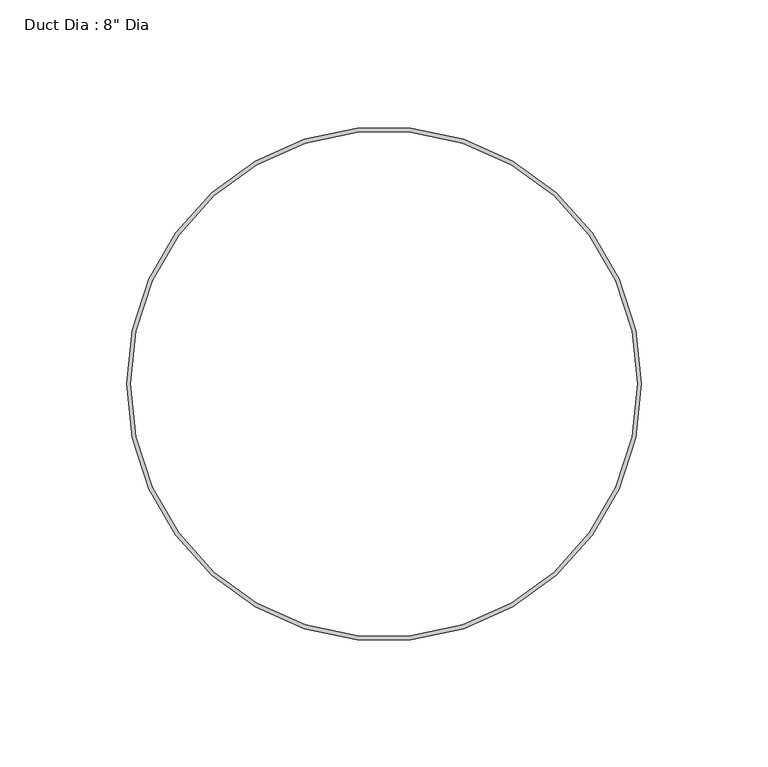
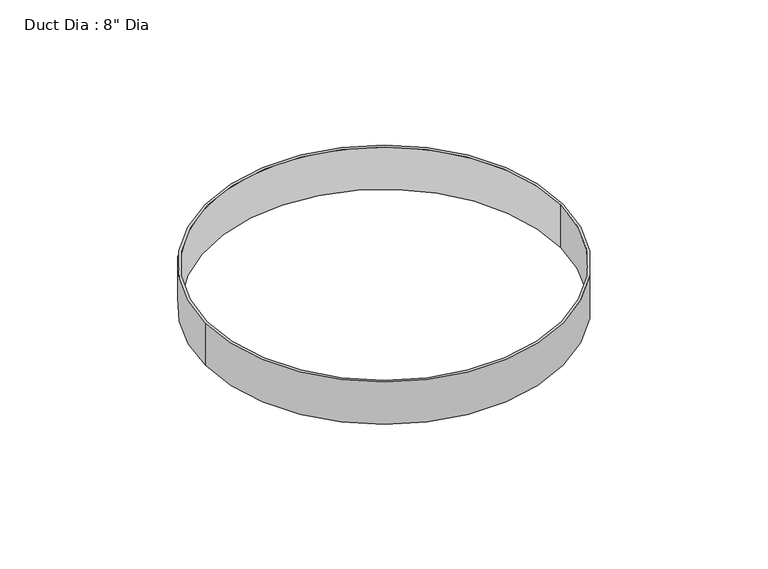
"""IFC4 building model written with IfcOpenShell, lengths in millimetres: proxy geometry."""

from ifc_helpers import new_model, si_unit, point, origin, origin_with_axes, origin_2d, place, context, project, spatial, circle_curve, trimmed, segment, composite_curve, outline, extrude, source, transform, mapped, element, save


def proxy_cedb3807(model_context):
    return source(origin(), model_context, "Body", "SweptSolid", [
        extrude(outline(composite_curve([segment(trimmed(circle_curve(origin_2d(), 101.6), [point((-101.6, 0.0))], [point((101.6, 0.0))], False, "CARTESIAN"), True, "CONTINUOUS"), segment(trimmed(circle_curve(origin_2d(), 101.6), [point((101.6, 0.0))], [point((-101.6, 0.0))], False, "CARTESIAN"), True, "CONTINUOUS")], self_intersect=False), holes=[composite_curve([segment(trimmed(circle_curve(origin_2d(), 100.0125), [point((-100.0125, 0.0))], [point((100.0125, 0.0))], True, "CARTESIAN"), True, "CONTINUOUS"), segment(trimmed(circle_curve(origin_2d(), 100.0125), [point((100.0125, 0.0))], [point((-100.0125, 0.0))], True, "CARTESIAN"), True, "CONTINUOUS")], self_intersect=False)]), origin_with_axes(), (0.0, 0.0, 1.0), 25.4),
    ])


if __name__ == "__main__":
    model = new_model("IFC4")
    model_context = context("Model", 3, world=origin())
    ifc_project = project(units=[si_unit("LENGTHUNIT", "METRE", prefix="MILLI")], contexts=[model_context])
    site = spatial("IfcSite", under=ifc_project)
    building = spatial("IfcBuilding", under=site)
    placement = place(None, origin())
    proxy_shape = proxy_cedb3807(model_context)
    element("IfcBuildingElementProxy", 1, Name="Duct Dia : 8\" Dia", ObjectType="Duct Dia : 8\" Dia", at=placement, inside=building, context=model_context, shape_type="MappedRepresentation", body=[
        mapped(proxy_shape, transform((0.0, 0.0, 0.0), x_axis=(1.0, 0.0, 0.0), y_axis=(0.0, 1.0, 0.0), z_axis=(0.0, 0.0, 1.0))),
    ])
    save(model, "model.ifc")
